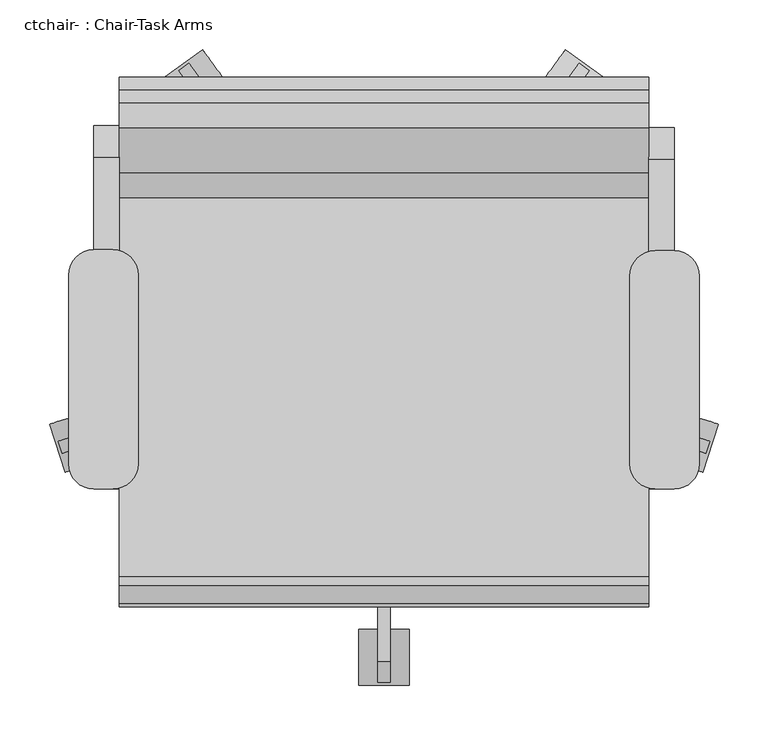
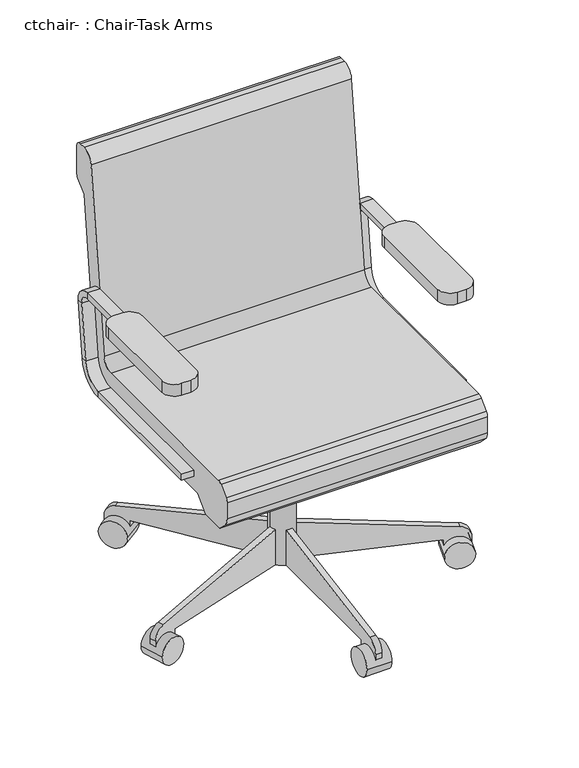
"""IFC4 building model written with IfcOpenShell, lengths in millimetres: furniture geometry, ctchair- : Chair-Task Arms."""

from ifc_helpers import new_model, si_unit, point, frame, frame_2d, origin, place, context, project, spatial, polyline, circle_curve, trimmed, segment, composite_curve, outline, extrude, source, transform, mapped, element, save
from ifc_brep_helpers import plane_surface, cylinder_surface, revolved_surface, advanced_brep


def ctchair_chair_task_arms_7ff2a73e(model_context):
    return source(origin(), model_context, "Body", "SolidModel", [
        extrude(outline(composite_curve([segment(polyline([(-151.1091803, 112.0946081), (-132.0591803, 112.0946081)]), True, "CONTINUOUS"), segment(trimmed(circle_curve(frame_2d((-132.0591803, 86.6946081)), 25.4), [point((-132.0591803, 112.0946081))], [point((-106.6591803, 86.6946081))], False, "CARTESIAN"), True, "CONTINUOUS"), segment(polyline([(-106.6591803, 86.6946081), (-106.6591803, -103.7401058)]), True, "CONTINUOUS"), segment(trimmed(circle_curve(frame_2d((-132.0591803, -103.7401058)), 25.4), [point((-106.6591803, -103.7401058))], [point((-132.0591803, -129.1401058))], False, "CARTESIAN"), True, "CONTINUOUS"), segment(polyline([(-132.0591803, -129.1401058), (-151.1091803, -129.1401058)]), True, "CONTINUOUS"), segment(trimmed(circle_curve(frame_2d((-151.1091803, -103.7401058)), 25.4), [point((-151.1091803, -129.1401058))], [point((-176.5091803, -103.7401058))], False, "CARTESIAN"), True, "CONTINUOUS"), segment(polyline([(-176.5091803, -103.7401058), (-176.5091803, 86.6946081)]), True, "CONTINUOUS"), segment(trimmed(circle_curve(frame_2d((-151.1091803, 86.6946081)), 25.4), [point((-176.5091803, 86.6946081))], [point((-151.1091803, 112.0946081))], False, "CARTESIAN"), True, "CONTINUOUS")], self_intersect=False)), frame((0.0, 0.0, 596.9), z_axis=(0.0, 0.0, 1.0), x_axis=(1.0, 0.0, 0.0)), (0.0, 0.0, 1.0), 25.4),
        extrude(outline(composite_curve([segment(polyline([(414.0408197, 111.0494016), (433.0908197, 111.0494016)]), True, "CONTINUOUS"), segment(trimmed(circle_curve(frame_2d((433.0908197, 85.6494016)), 25.4), [point((433.0908197, 111.0494016))], [point((458.4908197, 85.6494016))], False, "CARTESIAN"), True, "CONTINUOUS"), segment(polyline([(458.4908197, 85.6494016), (458.4908197, -103.7401058)]), True, "CONTINUOUS"), segment(trimmed(circle_curve(frame_2d((433.0908197, -103.7401058)), 25.4), [point((458.4908197, -103.7401058))], [point((433.0908197, -129.1401058))], False, "CARTESIAN"), True, "CONTINUOUS"), segment(polyline([(433.0908197, -129.1401058), (414.0408197, -129.1401058)]), True, "CONTINUOUS"), segment(trimmed(circle_curve(frame_2d((414.0408197, -103.7401058)), 25.4), [point((414.0408197, -129.1401058))], [point((388.6408197, -103.7401058))], False, "CARTESIAN"), True, "CONTINUOUS"), segment(polyline([(388.6408197, -103.7401058), (388.6408197, 85.6494016)]), True, "CONTINUOUS"), segment(trimmed(circle_curve(frame_2d((414.0408197, 85.6494016)), 25.4), [point((388.6408197, 85.6494016))], [point((414.0408197, 111.0494016))], False, "CARTESIAN"), True, "CONTINUOUS")], self_intersect=False)), frame((0.0, 0.0, 596.9), z_axis=(0.0, 0.0, 1.0), x_axis=(1.0, 0.0, 0.0)), (0.0, 0.0, 1.0), 25.4),
        advanced_brep(
        [(433.0908197, -129.1401058, 412.75), (433.0908197, -129.1401058, 425.45), (407.6908197, -129.1401058, 425.45), (407.6908197, -129.1401058, 412.75), (433.0908197, 164.1306683, 412.75), (433.0908197, 164.1306683, 425.45), (407.6908197, 164.1306683, 425.45), (407.6908197, 164.1306683, 412.75), (433.0908197, 208.2762127, 464.7064065), (433.0908197, 220.8892254, 463.2225227), (407.6908197, 208.2762127, 464.7064065), (407.6908197, 220.8892254, 463.2225227), (433.0908197, 234.6854333, 580.4902904), (433.0908197, 222.0724207, 581.9741742), (407.6908197, 222.0724207, 581.9741742), (407.6908197, 234.6854333, 580.4902904), (433.0908197, 203.1529016, 603.25), (433.0908197, 203.1529016, 615.95), (407.6908197, 203.1529016, 603.25), (407.6908197, 203.1529016, 615.95), (433.0908197, 18.9459016, 615.95), (407.6908197, 18.9459016, 615.95), (407.6908197, 18.9459016, 603.25), (433.0908197, 18.9459016, 603.25)],
        [
            (0, 1),
            (1, 2),
            (2, 3),
            (3, 0),
            (0, 4),
            (4, 5),
            (5, 1),
            (5, 6),
            (6, 2),
            (6, 7),
            (7, 3),
            (7, 4),
            (8, 5, circle_curve(frame((433.0908197, 164.1306683, 469.9), z_axis=(-1.0, 0.0, 0.0), x_axis=(0.0, 0.0, -1.0)), 44.45)),
            (4, 9, circle_curve(frame((433.0908197, 164.1306683, 469.9), z_axis=(1.0, 0.0, 0.0), x_axis=(0.0, 0.0, -1.0)), 57.15)),
            (9, 8),
            (10, 6, circle_curve(frame((407.6908197, 164.1306683, 469.9), z_axis=(-1.0, 0.0, 0.0), x_axis=(0.0, 0.0, -1.0)), 44.45)),
            (8, 10),
            (11, 7, circle_curve(frame((407.6908197, 164.1306683, 469.9), z_axis=(-1.0, 0.0, 0.0), x_axis=(0.0, 0.0, -1.0)), 57.15)),
            (10, 11),
            (11, 9),
            (9, 12),
            (12, 13),
            (13, 8),
            (13, 14),
            (14, 10),
            (14, 15),
            (15, 11),
            (15, 12),
            (16, 13, circle_curve(frame((433.0908197, 203.1529016, 584.2), z_axis=(-1.0, 0.0, 0.0), x_axis=(0.0, 0.9931506043228768, -0.11684124756739202)), 19.05)),
            (12, 17, circle_curve(frame((433.0908197, 203.1529016, 584.2), z_axis=(1.0, 0.0, 0.0), x_axis=(0.0, 0.9931506043228768, -0.11684124756739202)), 31.75)),
            (17, 16),
            (18, 14, circle_curve(frame((407.6908197, 203.1529016, 584.2), z_axis=(-1.0, 0.0, 0.0), x_axis=(0.0, 0.9931506043228768, -0.11684124756739202)), 19.05)),
            (16, 18),
            (19, 15, circle_curve(frame((407.6908197, 203.1529016, 584.2), z_axis=(-1.0, 0.0, 0.0), x_axis=(0.0, 0.9931506043228768, -0.11684124756739202)), 31.75)),
            (18, 19),
            (19, 17),
            (20, 21),
            (21, 22),
            (22, 23),
            (23, 20),
            (17, 20),
            (23, 16),
            (22, 18),
            (21, 19),
        ],
        [
            plane_surface(frame((406.191788, -129.1401058, 419.1), z_axis=(0.0, -1.0, 0.0), x_axis=(0.0, 0.0, 1.0))),
            plane_surface(frame((433.0908197, -129.1401058, 412.75), z_axis=(1.0, 0.0, 0.0), x_axis=(0.0, 1.0, 0.0))),
            plane_surface(frame((433.0908197, -129.1401058, 425.45), z_axis=(0.0, 0.0, 1.0), x_axis=(0.0, 1.0, 0.0))),
            plane_surface(frame((407.6908197, -129.1401058, 425.45), z_axis=(-1.0, 0.0, 0.0), x_axis=(0.0, 1.0, 0.0))),
            plane_surface(frame((407.6908197, -129.1401058, 412.75), z_axis=(0.0, 0.0, -1.0), x_axis=(0.0, 1.0, 0.0))),
            plane_surface(frame((433.0908197, 164.1306683, 469.9), z_axis=(1.0, 0.0, 0.0), x_axis=(0.0, 0.0, -1.0))),
            revolved_surface(polyline([(433.0908197, 164.1306683, 425.45), (407.6908197, 164.1306683, 425.45)]), (420.3908197, 164.1306683, 469.9), (1.0, 0.0, 0.0)),
            plane_surface(frame((407.6908197, 164.1306683, 469.9), z_axis=(-1.0, 0.0, 0.0), x_axis=(0.0, 0.0, -1.0))),
            cylinder_surface(frame((420.3908197, 164.1306683, 469.9), z_axis=(1.0, 0.0, 0.0), x_axis=(0.0, 0.0, -1.0)), 57.15),
            plane_surface(frame((433.0908197, 220.8892254, 463.2225227), z_axis=(1.0, 0.0, 0.0), x_axis=(0.0, 0.1168412475673856, 0.9931506043228776))),
            plane_surface(frame((433.0908197, 208.2762127, 464.7064065), z_axis=(0.0, -0.9931506043228776, 0.1168412475673856), x_axis=(0.0, 0.1168412475673856, 0.9931506043228776))),
            plane_surface(frame((407.6908197, 208.2762127, 464.7064065), z_axis=(-1.0, 0.0, 0.0), x_axis=(0.0, 0.1168412475673856, 0.9931506043228776))),
            plane_surface(frame((407.6908197, 220.8892254, 463.2225227), z_axis=(0.0, 0.9931506043228776, -0.1168412475673856), x_axis=(0.0, 0.1168412475673856, 0.9931506043228776))),
            plane_surface(frame((433.0908197, 203.1529016, 584.2), z_axis=(1.0, 0.0, 0.0), x_axis=(0.0, 0.9931506043228768, -0.11684124756739202))),
            revolved_surface(polyline([(433.0908197, 222.0724206123508, 581.9741742338413), (407.6908197, 222.0724206123508, 581.9741742338413)]), (420.3908197, 203.1529016, 584.2), (1.0, 0.0, 0.0)),
            plane_surface(frame((407.6908197, 203.1529016, 584.2), z_axis=(-1.0, 0.0, 0.0), x_axis=(0.0, 0.9931506043228768, -0.11684124756739202))),
            cylinder_surface(frame((420.3908197, 203.1529016, 584.2), z_axis=(1.0, 0.0, 0.0), x_axis=(0.0, 0.9931506043228768, -0.11684124756739202)), 31.75),
            plane_surface(frame((406.191788, 18.9459016, 609.6), z_axis=(0.0, -1.0, 0.0), x_axis=(0.0, 0.0, -1.0))),
            plane_surface(frame((433.0908197, 203.1529016, 615.95), z_axis=(1.0, 0.0, 0.0), x_axis=(0.0, -1.0, 0.0))),
            plane_surface(frame((433.0908197, 203.1529016, 603.25), z_axis=(0.0, 0.0, -1.0), x_axis=(0.0, -1.0, 0.0))),
            plane_surface(frame((407.6908197, 203.1529016, 603.25), z_axis=(-1.0, 0.0, 0.0), x_axis=(0.0, -1.0, 0.0))),
            plane_surface(frame((407.6908197, 203.1529016, 615.95), z_axis=(0.0, 0.0, 1.0), x_axis=(0.0, -1.0, 0.0))),
        ],
        [
            (0, [[1, 2, 3, 4]]),
            (1, [[-1, 5, 6, 7]]),
            (2, [[-2, -7, 8, 9]]),
            (3, [[-3, -9, 10, 11]]),
            (4, [[-4, -11, 12, -5]]),
            (5, [[13, -6, 14, 15]]),
            (6, [[16, -8, -13, 17]]),
            (7, [[18, -10, -16, 19]]),
            (8, [[-14, -12, -18, 20]]),
            (9, [[-15, 21, 22, 23]]),
            (10, [[-17, -23, 24, 25]]),
            (11, [[-19, -25, 26, 27]]),
            (12, [[-20, -27, 28, -21]]),
            (13, [[29, -22, 30, 31]]),
            (14, [[32, -24, -29, 33]]),
            (15, [[34, -26, -32, 35]]),
            (16, [[-30, -28, -34, 36]]),
            (17, [[37, 38, 39, 40]]),
            (18, [[-31, 41, -40, 42]]),
            (19, [[-33, -42, -39, 43]]),
            (20, [[-35, -43, -38, 44]]),
            (21, [[-36, -44, -37, -41]]),
        ],
    ),
        advanced_brep(
        [(-151.1091803, -129.1401058, 425.45), (-151.1091803, -129.1401058, 412.75), (-125.7091803, -129.1401058, 412.75), (-125.7091803, -129.1401058, 425.45), (-151.1091803, 166.2210813, 425.45), (-151.1091803, 166.2210813, 412.75), (-125.7091803, 166.2210813, 412.75), (-125.7091803, 166.2210813, 425.45), (-151.1091803, 222.9796383, 463.2225227), (-151.1091803, 210.3666257, 464.7064065), (-125.7091803, 222.9796383, 463.2225227), (-125.7091803, 210.3666257, 464.7064065), (-151.1091803, 224.1628336, 581.9741742), (-151.1091803, 236.7758463, 580.4902904), (-125.7091803, 236.7758463, 580.4902904), (-125.7091803, 224.1628336, 581.9741742), (-151.1091803, 205.2433146, 615.95), (-151.1091803, 205.2433146, 603.25), (-125.7091803, 205.2433146, 615.95), (-125.7091803, 205.2433146, 603.25), (-151.1091803, 18.9459016, 603.25), (-125.7091803, 18.9459016, 603.25), (-125.7091803, 18.9459016, 615.95), (-151.1091803, 18.9459016, 615.95)],
        [
            (0, 1),
            (1, 2),
            (2, 3),
            (3, 0),
            (0, 4),
            (4, 5),
            (5, 1),
            (5, 6),
            (6, 2),
            (6, 7),
            (7, 3),
            (7, 4),
            (8, 5, circle_curve(frame((-151.1091803, 166.2210813, 469.9), z_axis=(-1.0, 0.0, 0.0), x_axis=(0.0, 0.0, -1.0)), 57.15)),
            (4, 9, circle_curve(frame((-151.1091803, 166.2210813, 469.9), z_axis=(1.0, 0.0, 0.0), x_axis=(0.0, 0.0, -1.0)), 44.45)),
            (9, 8),
            (10, 6, circle_curve(frame((-125.7091803, 166.2210813, 469.9), z_axis=(-1.0, 0.0, 0.0), x_axis=(0.0, 0.0, -1.0)), 57.15)),
            (8, 10),
            (11, 7, circle_curve(frame((-125.7091803, 166.2210813, 469.9), z_axis=(-1.0, 0.0, 0.0), x_axis=(0.0, 0.0, -1.0)), 44.45)),
            (10, 11),
            (11, 9),
            (9, 12),
            (12, 13),
            (13, 8),
            (13, 14),
            (14, 10),
            (14, 15),
            (15, 11),
            (15, 12),
            (16, 13, circle_curve(frame((-151.1091803, 205.2433146, 584.2), z_axis=(-1.0, 0.0, 0.0), x_axis=(0.0, 0.9931506043228767, -0.1168412475673929)), 31.75)),
            (12, 17, circle_curve(frame((-151.1091803, 205.2433146, 584.2), z_axis=(1.0, 0.0, 0.0), x_axis=(0.0, 0.9931506043228767, -0.1168412475673929)), 19.05)),
            (17, 16),
            (18, 14, circle_curve(frame((-125.7091803, 205.2433146, 584.2), z_axis=(-1.0, 0.0, 0.0), x_axis=(0.0, 0.9931506043228767, -0.1168412475673929)), 31.75)),
            (16, 18),
            (19, 15, circle_curve(frame((-125.7091803, 205.2433146, 584.2), z_axis=(-1.0, 0.0, 0.0), x_axis=(0.0, 0.9931506043228767, -0.1168412475673929)), 19.05)),
            (18, 19),
            (19, 17),
            (20, 21),
            (21, 22),
            (22, 23),
            (23, 20),
            (17, 20),
            (23, 16),
            (22, 18),
            (21, 19),
        ],
        [
            plane_surface(frame((-152.608212, -129.1401058, 419.1), z_axis=(0.0, -1.0, 0.0), x_axis=(0.0, 0.0, 1.0))),
            plane_surface(frame((-151.1091803, -129.1401058, 425.45), z_axis=(-1.0, 0.0, 0.0), x_axis=(0.0, 1.0, 0.0))),
            plane_surface(frame((-151.1091803, -129.1401058, 412.75), z_axis=(0.0, 0.0, -1.0), x_axis=(0.0, 1.0, 0.0))),
            plane_surface(frame((-125.7091803, -129.1401058, 412.75), z_axis=(1.0, 0.0, 0.0), x_axis=(0.0, 1.0, 0.0))),
            plane_surface(frame((-125.7091803, -129.1401058, 425.45), z_axis=(0.0, 0.0, 1.0), x_axis=(0.0, 1.0, 0.0))),
            plane_surface(frame((-151.1091803, 166.2210813, 469.9), z_axis=(-1.0, 0.0, 0.0), x_axis=(0.0, 0.0, -1.0))),
            cylinder_surface(frame((-138.4091803, 166.2210813, 469.9), z_axis=(1.0, 0.0, 0.0), x_axis=(0.0, 0.0, -1.0)), 57.15),
            plane_surface(frame((-125.7091803, 166.2210813, 469.9), z_axis=(1.0, 0.0, 0.0), x_axis=(0.0, 0.0, -1.0))),
            revolved_surface(polyline([(-125.7091803, 166.2210813, 425.45), (-151.1091803, 166.2210813, 425.45)]), (-138.4091803, 166.2210813, 469.9), (1.0, 0.0, 0.0)),
            plane_surface(frame((-151.1091803, 210.3666257, 464.7064065), z_axis=(-1.0, 0.0, 0.0), x_axis=(0.0, 0.11684124756738626, 0.9931506043228775))),
            plane_surface(frame((-151.1091803, 222.9796383, 463.2225227), z_axis=(0.0, 0.9931506043228775, -0.11684124756738626), x_axis=(0.0, 0.11684124756738626, 0.9931506043228775))),
            plane_surface(frame((-125.7091803, 222.9796383, 463.2225227), z_axis=(1.0, 0.0, 0.0), x_axis=(0.0, 0.11684124756738626, 0.9931506043228775))),
            plane_surface(frame((-125.7091803, 210.3666257, 464.7064065), z_axis=(0.0, -0.9931506043228775, 0.11684124756738626), x_axis=(0.0, 0.11684124756738626, 0.9931506043228775))),
            plane_surface(frame((-151.1091803, 205.2433146, 584.2), z_axis=(-1.0, 0.0, 0.0), x_axis=(0.0, 0.9931506043228767, -0.1168412475673929))),
            cylinder_surface(frame((-138.4091803, 205.2433146, 584.2), z_axis=(1.0, 0.0, 0.0), x_axis=(0.0, 0.9931506043228767, -0.1168412475673929)), 31.75),
            plane_surface(frame((-125.7091803, 205.2433146, 584.2), z_axis=(1.0, 0.0, 0.0), x_axis=(0.0, 0.9931506043228767, -0.1168412475673929))),
            revolved_surface(polyline([(-125.7091803, 224.1628336123508, 581.9741742338412), (-151.1091803, 224.1628336123508, 581.9741742338412)]), (-138.4091803, 205.2433146, 584.2), (1.0, 0.0, 0.0)),
            plane_surface(frame((-152.608212, 18.9459016, 609.6), z_axis=(0.0, -1.0, 0.0), x_axis=(0.0, 0.0, -1.0))),
            plane_surface(frame((-151.1091803, 205.2433146, 603.25), z_axis=(-1.0, 0.0, 0.0), x_axis=(0.0, -1.0, 0.0))),
            plane_surface(frame((-151.1091803, 205.2433146, 615.95), z_axis=(0.0, 0.0, 1.0), x_axis=(0.0, -1.0, 0.0))),
            plane_surface(frame((-125.7091803, 205.2433146, 615.95), z_axis=(1.0, 0.0, 0.0), x_axis=(0.0, -1.0, 0.0))),
            plane_surface(frame((-125.7091803, 205.2433146, 603.25), z_axis=(0.0, 0.0, -1.0), x_axis=(0.0, -1.0, 0.0))),
        ],
        [
            (0, [[1, 2, 3, 4]]),
            (1, [[-1, 5, 6, 7]]),
            (2, [[-2, -7, 8, 9]]),
            (3, [[-3, -9, 10, 11]]),
            (4, [[-4, -11, 12, -5]]),
            (5, [[13, -6, 14, 15]]),
            (6, [[16, -8, -13, 17]]),
            (7, [[18, -10, -16, 19]]),
            (8, [[-14, -12, -18, 20]]),
            (9, [[-15, 21, 22, 23]]),
            (10, [[-17, -23, 24, 25]]),
            (11, [[-19, -25, 26, 27]]),
            (12, [[-20, -27, 28, -21]]),
            (13, [[29, -22, 30, 31]]),
            (14, [[32, -24, -29, 33]]),
            (15, [[34, -26, -32, 35]]),
            (16, [[-30, -28, -34, 36]]),
            (17, [[37, 38, 39, 40]]),
            (18, [[-31, 41, -40, 42]]),
            (19, [[-33, -42, -39, 43]]),
            (20, [[-35, -43, -38, 44]]),
            (21, [[-36, -44, -37, -41]]),
        ],
    ),
        extrude(outline(composite_curve([segment(trimmed(circle_curve(frame_2d((140.9908197, 18.9459016)), 25.4), [point((166.3908197, 18.9459016))], [point((115.5908197, 18.9459016))], False, "CARTESIAN"), True, "CONTINUOUS"), segment(trimmed(circle_curve(frame_2d((140.9908197, 18.9459016)), 25.4), [point((115.5908197, 18.9459016))], [point((166.3908197, 18.9459016))], False, "CARTESIAN"), True, "CONTINUOUS")], self_intersect=False)), frame((0.0, 0.0, 53.5835944), z_axis=(0.0, 0.0, 1.0), x_axis=(1.0, 0.0, 0.0)), (0.0, 0.0, 1.0), 330.5914056),
        extrude(outline(composite_curve([segment(trimmed(circle_curve(frame_2d((0.0, -28.2002727)), 28.2002727), [point((0.0, -56.4005454))], [point((0.0, 0.0))], False, "CARTESIAN"), True, "CONTINUOUS"), segment(trimmed(circle_curve(frame_2d((0.0, -28.2002727)), 28.2002727), [point((0.0, 0.0))], [point((0.0, -56.4005454))], False, "CARTESIAN"), True, "CONTINUOUS")], self_intersect=False)), frame((-179.9406457, -112.0381931, 28.1835944), z_axis=(-0.3090169943749372, 0.951056516295157, 0.0), x_axis=(0.0, 0.0, -1.0)), (0.0, 0.0, 1.0), 50.8),
        extrude(outline(composite_curve([segment(polyline([(25.4, 0.0), (25.4, 292.1), (101.6, 292.1), (101.6, 266.7), (49.3171699, -29.8106637)]), True, "CONTINUOUS"), segment(trimmed(circle_curve(frame_2d((24.303053, -25.4)), 25.4), [point((49.3171699, -29.8106637))], [point((24.303053, -50.8000001))], False, "CARTESIAN"), True, "CONTINUOUS"), segment(polyline([(24.303053, -50.8000001), (0.0, -50.8000001), (0.0, 0.0), (25.4, 0.0)]), True, "CONTINUOUS")], self_intersect=False)), frame((-134.8505308, -77.3571713, 28.1835944), z_axis=(-0.3090169943749371, 0.951056516295157, 0.0), x_axis=(0.0, 0.0, 1.0)), (0.0, 0.0, 1.0), 12.7),
        extrude(outline(composite_curve([segment(trimmed(circle_curve(frame_2d((0.0, -28.2002727)), 28.2002727), [point((0.0, -56.4005454))], [point((0.0, 0.0))], False, "CARTESIAN"), True, "CONTINUOUS"), segment(trimmed(circle_curve(frame_2d((0.0, -28.2002727)), 28.2002727), [point((0.0, 0.0))], [point((0.0, -56.4005454))], False, "CARTESIAN"), True, "CONTINUOUS")], self_intersect=False)), frame((-82.755734, 283.6935518, 28.1835944), z_axis=(0.8090169943749531, 0.5877852522924655, 0.0), x_axis=(0.0, 0.0, -1.0)), (0.0, 0.0, 1.0), 50.8),
        extrude(outline(composite_curve([segment(polyline([(25.4, 0.0), (25.4, 292.1), (101.6, 292.1), (101.6, 266.6999999), (49.3171699, -29.8106638)]), True, "CONTINUOUS"), segment(trimmed(circle_curve(frame_2d((24.303053, -25.4)), 25.4), [point((49.3171699, -29.8106638))], [point((24.303053, -50.8000001))], False, "CARTESIAN"), True, "CONTINUOUS"), segment(polyline([(24.303053, -50.8000001), (0.0, -50.8000001), (0.0, 0.0), (25.4, 0.0)]), True, "CONTINUOUS")], self_intersect=False)), frame((-35.8385104, 251.5273293, 28.1835944), z_axis=(0.8090169943749531, 0.5877852522924655, 0.0), x_axis=(0.0, 0.0, 1.0)), (0.0, 0.0, 1.0), 12.7),
        extrude(outline(composite_curve([segment(trimmed(circle_curve(frame_2d((0.0, -28.2002727)), 28.2002727), [point((0.0, -56.4005454))], [point((0.0, 0.0))], False, "CARTESIAN"), True, "CONTINUOUS"), segment(trimmed(circle_curve(frame_2d((0.0, -28.2002727)), 28.2002727), [point((0.0, 0.0))], [point((0.0, -56.4005454))], False, "CARTESIAN"), True, "CONTINUOUS")], self_intersect=False)), frame((364.7373733, 283.6935518, 28.1835944), z_axis=(-0.8090169943749427, 0.5877852522924798, 0.0), x_axis=(0.0, 0.0, 1.0)), (0.0, 0.0, 1.0), 50.8),
        extrude(outline(composite_curve([segment(polyline([(-25.4, 0.0), (0.0, 0.0), (0.0, -50.8000001), (-24.303053, -50.8000001)]), True, "CONTINUOUS"), segment(trimmed(circle_curve(frame_2d((-24.303053, -25.4)), 25.4), [point((-24.303053, -50.8000001))], [point((-49.3171699, -29.8106638))], False, "CARTESIAN"), True, "CONTINUOUS"), segment(polyline([(-49.3171699, -29.8106638), (-101.6, 266.7), (-101.6, 292.1), (-25.4, 292.1), (-25.4, 0.0)]), True, "CONTINUOUS")], self_intersect=False)), frame((317.8201498, 251.5273293, 28.1835944), z_axis=(-0.8090169943749427, 0.5877852522924798, 0.0), x_axis=(0.0, 0.0, -1.0)), (0.0, 0.0, 1.0), 12.7),
        extrude(outline(composite_curve([segment(trimmed(circle_curve(frame_2d((0.0, -28.2002728)), 28.2002727), [point((0.0, -56.4005455))], [point((0.0, 0.0))], False, "CARTESIAN"), True, "CONTINUOUS"), segment(trimmed(circle_curve(frame_2d((0.0, -28.2002728)), 28.2002727), [point((0.0, 0.0))], [point((0.0, -56.4005455))], False, "CARTESIAN"), True, "CONTINUOUS")], self_intersect=False)), frame((461.9222851, -112.0381931, 28.1835944), z_axis=(0.30901699437495384, 0.9510565162951515, 0.0), x_axis=(0.0, 0.0, 1.0)), (0.0, 0.0, 1.0), 50.8),
        extrude(outline(composite_curve([segment(polyline([(-25.4, 0.0), (0.0, 0.0), (0.0, -50.8), (-24.303053, -50.8)]), True, "CONTINUOUS"), segment(trimmed(circle_curve(frame_2d((-24.303053, -25.4)), 25.4), [point((-24.303053, -50.8))], [point((-49.3171699, -29.8106636))], False, "CARTESIAN"), True, "CONTINUOUS"), segment(polyline([(-49.3171699, -29.8106636), (-101.6, 266.7), (-101.6, 292.1), (-25.4, 292.1), (-25.4, 0.0)]), True, "CONTINUOUS")], self_intersect=False)), frame((416.8321702, -77.3571713, 28.1835944), z_axis=(0.30901699437495384, 0.9510565162951515, 0.0), x_axis=(0.0, 0.0, -1.0)), (0.0, 0.0, 1.0), 12.7),
        extrude(outline(composite_curve([segment(trimmed(circle_curve(frame_2d((-298.5540984, 28.1835944)), 28.2002727), [point((-270.3538256, 28.1835944))], [point((-326.7543711, 28.1835944))], False, "CARTESIAN"), True, "CONTINUOUS"), segment(trimmed(circle_curve(frame_2d((-298.5540984, 28.1835944)), 28.2002727), [point((-326.7543711, 28.1835944))], [point((-270.3538256, 28.1835944))], False, "CARTESIAN"), True, "CONTINUOUS")], self_intersect=False)), frame((115.5908197, 0.0, 0.0), z_axis=(1.0, 0.0, 0.0), x_axis=(0.0, 1.0, 0.0)), (0.0, 0.0, 1.0), 50.8),
        extrude(outline(composite_curve([segment(polyline([(-273.1540984, 53.5835944), (-273.1540984, 28.1835944), (-323.9540984, 28.1835944), (-323.9540984, 52.4866474)]), True, "CONTINUOUS"), segment(trimmed(circle_curve(frame_2d((-298.5540984, 52.4866474)), 25.4), [point((-323.9540984, 52.4866474))], [point((-302.9647621, 77.5007643))], False, "CARTESIAN"), True, "CONTINUOUS"), segment(polyline([(-302.9647621, 77.5007643), (-6.4540984, 129.7835944), (18.9459016, 129.7835944), (18.9459016, 53.5835944), (-273.1540984, 53.5835944)]), True, "CONTINUOUS")], self_intersect=False)), frame((134.6408197, 0.0, 0.0), z_axis=(1.0, 0.0, 0.0), x_axis=(0.0, 1.0, 0.0)), (0.0, 0.0, 1.0), 12.7),
        extrude(outline(polyline([(-31.8540984, 383.7835944), (57.0459016, 383.7835944), (57.0459016, 283.0954134), (18.9459016, 283.0954134), (-31.8540984, 371.0835944), (-31.8540984, 383.7835944)])), frame((90.1908197, 0.0, 0.0), z_axis=(1.0, 0.0, 0.0), x_axis=(0.0, 1.0, 0.0)), (0.0, 0.0, 1.0), 101.6),
        extrude(outline(composite_curve([segment(trimmed(circle_curve(frame_2d((164.0968488, 482.6)), 25.4), [point((164.0968488, 457.2))], [point((189.3228741, 479.6322323))], True, "CARTESIAN"), True, "CONTINUOUS"), segment(polyline([(189.3228741, 479.6322323), (234.8447018, 866.5677677)]), True, "CONTINUOUS"), segment(trimmed(circle_curve(frame_2d((260.0707271, 863.6)), 25.4), [point((234.8447018, 866.5677677))], [point((260.0707271, 889.0))], False, "CARTESIAN"), True, "CONTINUOUS"), segment(polyline([(260.0707271, 889.0), (272.9459016, 889.0)]), True, "CONTINUOUS"), segment(trimmed(circle_curve(frame_2d((272.9459016, 876.3)), 12.7), [point((272.9459016, 889.0))], [point((285.6459016, 876.3))], False, "CARTESIAN"), True, "CONTINUOUS"), segment(polyline([(285.6459016, 876.3), (285.6459016, 818.0605122)]), True, "CONTINUOUS"), segment(trimmed(circle_curve(frame_2d((272.9459016, 818.0605122)), 12.7), [point((285.6459016, 818.0605122))], [point((281.9261578, 809.0802561))], False, "CARTESIAN"), True, "CONTINUOUS"), segment(polyline([(281.9261578, 809.0802561), (260.2459016, 787.4), (220.6788771, 451.0802913)]), True, "CONTINUOUS"), segment(trimmed(circle_curve(frame_2d((145.000801, 459.9835944)), 76.2), [point((220.6788771, 451.0802913))], [point((145.000801, 383.7835944))], False, "CARTESIAN"), True, "CONTINUOUS"), segment(polyline([(145.000801, 383.7835944), (-143.1826569, 383.7835944), (-171.5552251, 355.6), (-222.3552251, 355.6), (-240.3745223, 373.7401184)]), True, "CONTINUOUS"), segment(trimmed(circle_curve(frame_2d((-222.3540984, 391.6405184)), 25.4), [point((-240.3745223, 373.7401184))], [point((-247.7540984, 391.6405184))], False, "CARTESIAN"), True, "CONTINUOUS"), segment(polyline([(-247.7540984, 391.6405184), (-247.7540984, 426.6837879)]), True, "CONTINUOUS"), segment(trimmed(circle_curve(frame_2d((-235.0540984, 426.6837879)), 12.7), [point((-247.7540984, 426.6837879))], [point((-244.0042984, 435.6939999))], False, "CARTESIAN"), True, "CONTINUOUS"), segment(polyline([(-244.0042984, 435.6939999), (-226.0686268, 453.510212)]), True, "CONTINUOUS"), segment(trimmed(circle_curve(frame_2d((-217.1184268, 444.5)), 12.7), [point((-226.0686268, 453.510212))], [point((-217.1184268, 457.2))], False, "CARTESIAN"), True, "CONTINUOUS"), segment(polyline([(-217.1184268, 457.2), (164.0968488, 457.2)]), True, "CONTINUOUS")], self_intersect=False)), frame((-125.7091803, 0.0, 0.0), z_axis=(1.0, 0.0, 0.0), x_axis=(0.0, 1.0, 0.0)), (0.0, 0.0, 1.0), 533.4),
    ])


if __name__ == "__main__":
    model = new_model("IFC4")
    model_context = context("Model", 3, world=origin())
    ifc_project = project(units=[si_unit("LENGTHUNIT", "METRE", prefix="MILLI")], contexts=[model_context])
    site = spatial("IfcSite", under=ifc_project)
    building = spatial("IfcBuilding", under=site)
    placement = place(None, origin())
    ctchair_chair_task_arms_shape = ctchair_chair_task_arms_7ff2a73e(model_context)
    element("IfcFurniture", 1, ObjectType="ctchair- : Chair-Task Arms", at=placement, inside=building, context=model_context, shape_type="MappedRepresentation", body=[
        mapped(ctchair_chair_task_arms_shape, transform((0.0, 0.0, 0.0), x_axis=(1.0, 0.0, 0.0), y_axis=(0.0, 1.0, 0.0), z_axis=(0.0, 0.0, 1.0))),
    ])
    save(model, "model.ifc")
